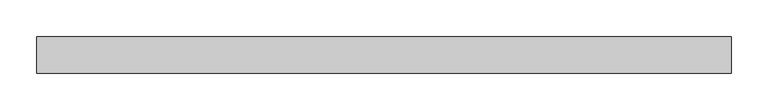
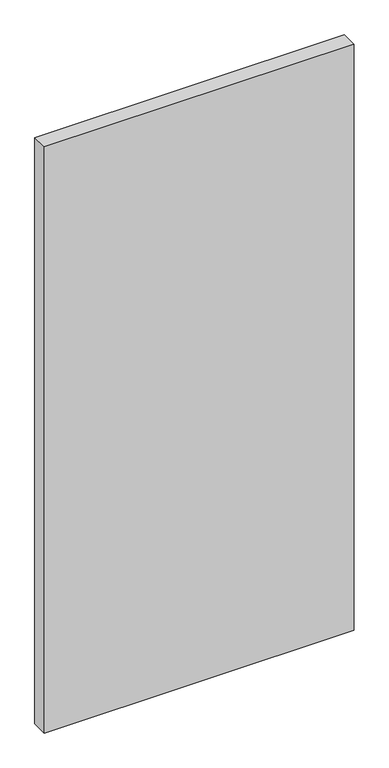
"""IFC4 building model written with IfcOpenShell, lengths in millimetres: plate geometry."""

from ifc_helpers import new_model, si_unit, origin, origin_with_axes, place, context, project, spatial, polyline, outline, extrude, source, transform, mapped, element, save


def plate_903b2bb5(model_context):
    return source(origin(), model_context, "Body", "SweptSolid", [
        extrude(outline(polyline([(475.0, -25.0), (-475.0, -25.0), (-475.0, 25.0), (475.0, 25.0), (475.0, -25.0)])), origin_with_axes(), (0.0, 0.0, 1.0), 1900.0),
    ])


if __name__ == "__main__":
    model = new_model("IFC4")
    model_context = context("Model", 3, world=origin())
    ifc_project = project(units=[si_unit("LENGTHUNIT", "METRE", prefix="MILLI")], contexts=[model_context])
    site = spatial("IfcSite", under=ifc_project)
    building = spatial("IfcBuilding", under=site)
    placement = place(None, origin())
    plate_shape = plate_903b2bb5(model_context)
    element("IfcPlate", 1, at=placement, inside=building, context=model_context, shape_type="MappedRepresentation", body=[
        mapped(plate_shape, transform((0.0, 0.0, 0.0), x_axis=(1.0, 0.0, 0.0), y_axis=(0.0, 1.0, 0.0), z_axis=(0.0, 0.0, 1.0))),
    ])
    save(model, "model.ifc")
